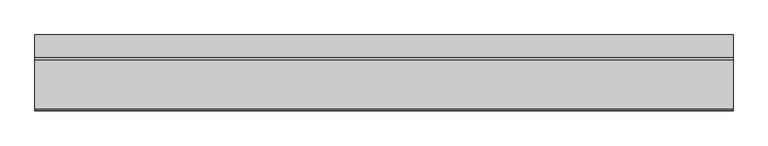
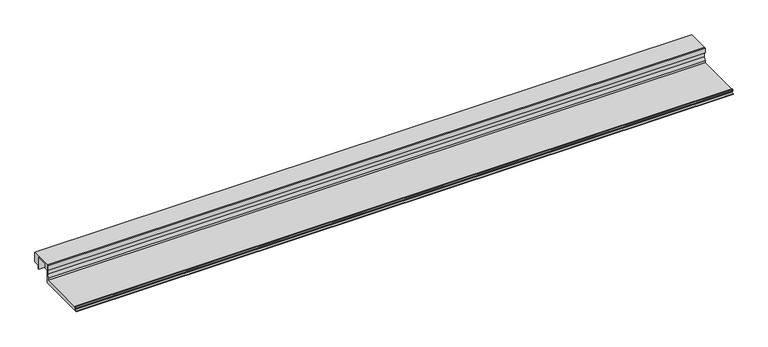
"""IFC4 building model written with IfcOpenShell, lengths in millimetres: proxy geometry."""

from ifc_helpers import new_model, si_unit, point, frame, frame_2d, origin, place, context, project, spatial, polyline, circle_curve, trimmed, segment, composite_curve, outline, extrude, source, transform, mapped, element, save


def specialty_equipment_f370b784(model_context):
    return source(origin(), model_context, "Body", "SweptSolid", [
        extrude(outline(polyline([(165.632524, 63.5), (235.482524, 63.5), (235.482524, 31.75), (215.241899, 31.75), (215.241899, 19.05), (212.9598677, 19.05), (212.9598677, 61.1898306), (175.284524, 61.1898306), (175.284524, 44.45), (165.632524, 44.45), (165.632524, 63.5)])), frame((0.0, 0.0, 0.0), z_axis=(1.0, 0.0, 0.0), x_axis=(0.0, 1.0, 0.0)), (0.0, 0.0, 1.0), 2161.32984),
        extrude(outline(composite_curve([segment(polyline([(165.632524, 0.0), (0.0, 0.0), (0.0, 1.651), (8.368424, 1.7970714), (8.368424, 9.7466904)]), True, "CONTINUOUS"), segment(trimmed(circle_curve(frame_2d((7.805541, 9.7466904)), 0.562883), [point((8.368424, 9.7466904))], [point((7.805541, 10.3095735))], True, "CARTESIAN"), True, "CONTINUOUS"), segment(polyline([(7.805541, 10.3095735), (1.0402986, 10.3095735)]), True, "CONTINUOUS"), segment(trimmed(circle_curve(frame_2d((1.0402986, 10.8138628)), 0.5042893), [point((1.0402986, 10.3095735))], [point((0.5832573, 11.0269846))], False, "CARTESIAN"), True, "CONTINUOUS"), segment(polyline([(0.5832573, 11.0269846), (2.843924, 15.875), (5.206124, 15.875), (5.206124, 12.7), (159.282524, 12.7), (159.282524, 19.05), (163.346524, 31.75), (163.346524, 46.0298451), (158.495124, 48.3942822), (158.495124, 63.5), (165.632524, 63.5), (165.632524, 0.0)]), True, "CONTINUOUS")], self_intersect=False)), frame((0.0, 0.0, 0.0), z_axis=(1.0, 0.0, 0.0), x_axis=(0.0, 1.0, 0.0)), (0.0, 0.0, 1.0), 2161.32984),
    ])


if __name__ == "__main__":
    model = new_model("IFC4")
    model_context = context("Model", 3, world=origin())
    ifc_project = project(units=[si_unit("LENGTHUNIT", "METRE", prefix="MILLI")], contexts=[model_context])
    site = spatial("IfcSite", under=ifc_project)
    building = spatial("IfcBuilding", under=site)
    placement = place(None, origin())
    specialty_equipment_shape = specialty_equipment_f370b784(model_context)
    element("IfcBuildingElementProxy", 1, Name="Specialty Equipment", at=placement, inside=building, context=model_context, shape_type="MappedRepresentation", body=[
        mapped(specialty_equipment_shape, transform((0.0, 0.0, 0.0), x_axis=(1.0, 0.0, 0.0), y_axis=(0.0, 1.0, 0.0), z_axis=(0.0, 0.0, 1.0))),
    ])
    save(model, "model.ifc")
